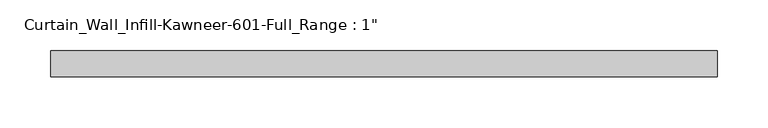
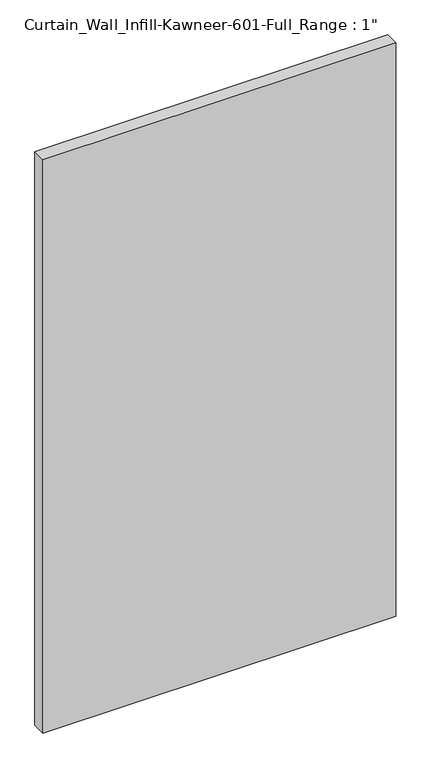
"""IFC4 building model written with IfcOpenShell, lengths in millimetres: plate geometry."""

from ifc_helpers import new_model, si_unit, origin, origin_with_axes, place, context, project, spatial, polyline, outline, extrude, source, transform, mapped, element, save


def plate_93e82f80(model_context):
    return source(origin(), model_context, "Body", "SweptSolid", [
        extrude(outline(polyline([(-327.025, 12.7), (327.025, 12.7), (327.025, -12.7), (-327.025, -12.7), (-327.025, 12.7)])), origin_with_axes(), (0.0, 0.0, 1.0), 1123.95),
    ])


if __name__ == "__main__":
    model = new_model("IFC4")
    model_context = context("Model", 3, world=origin())
    ifc_project = project(units=[si_unit("LENGTHUNIT", "METRE", prefix="MILLI")], contexts=[model_context])
    site = spatial("IfcSite", under=ifc_project)
    building = spatial("IfcBuilding", under=site)
    placement = place(None, origin())
    plate_shape = plate_93e82f80(model_context)
    element("IfcPlate", 1, ObjectType="Curtain_Wall_Infill-Kawneer-601-Full_Range : 1\"", at=placement, inside=building, context=model_context, shape_type="MappedRepresentation", body=[
        mapped(plate_shape, transform((0.0, 0.0, 0.0), x_axis=(1.0, 0.0, 0.0), y_axis=(0.0, 1.0, 0.0), z_axis=(0.0, 0.0, 1.0))),
    ])
    save(model, "model.ifc")
